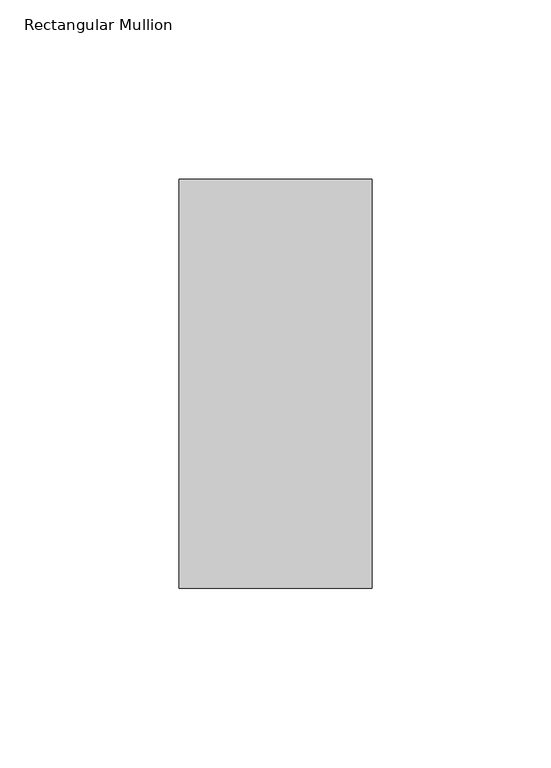
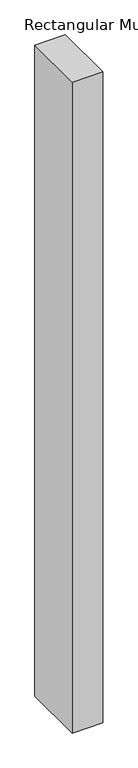
"""IFC4 building model written with IfcOpenShell, lengths in millimetres: member geometry, Rectangular Mullion."""

from ifc_helpers import new_model, si_unit, frame, origin, place, context, project, spatial, polyline, outline, extrude, source, transform, mapped, element, save


def rectangular_mullion_960d9529(model_context):
    return source(origin(), model_context, "Body", "SweptSolid", [
        extrude(outline(polyline([(-53.975, 57.15), (0.0, 57.15), (0.0, -57.15), (-53.975, -57.15), (-53.975, 57.15)])), frame((0.0, 0.0, -1219.2), z_axis=(0.0, 0.0, 1.0), x_axis=(1.0, 0.0, 0.0)), (0.0, 0.0, 1.0), 1219.2),
    ])


if __name__ == "__main__":
    model = new_model("IFC4")
    model_context = context("Model", 3, world=origin())
    ifc_project = project(units=[si_unit("LENGTHUNIT", "METRE", prefix="MILLI")], contexts=[model_context])
    site = spatial("IfcSite", under=ifc_project)
    building = spatial("IfcBuilding", under=site)
    placement = place(None, origin())
    rectangular_mullion_shape = rectangular_mullion_960d9529(model_context)
    element("IfcMember", 1, ObjectType="Rectangular Mullion", at=placement, inside=building, context=model_context, shape_type="MappedRepresentation", body=[
        mapped(rectangular_mullion_shape, transform((0.0, 0.0, 0.0), x_axis=(1.0, 0.0, 0.0), y_axis=(0.0, 1.0, 0.0), z_axis=(0.0, 0.0, 1.0))),
    ])
    save(model, "model.ifc")
